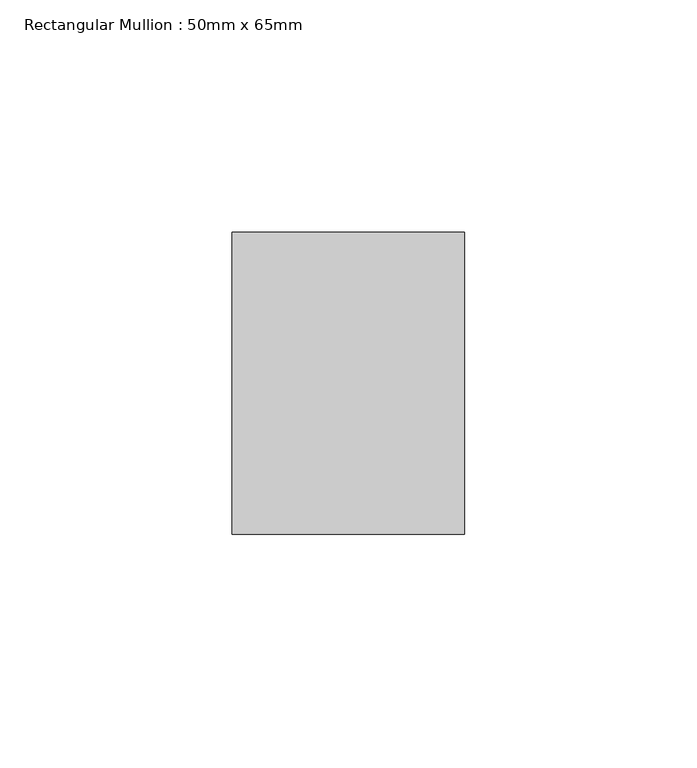
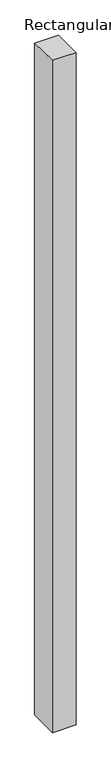
"""IFC4 building model written with IfcOpenShell, lengths in millimetres: member geometry, Rectangular Mullion : 50mm x 65mm."""

from ifc_helpers import new_model, si_unit, origin, place, context, project, spatial, faceted_brep, source, transform, mapped, element, save


def rectangular_mullion_50mm_x_65mm_3ddc6666(model_context):
    return source(origin(), model_context, "Body", "Brep", [
        faceted_brep([(-25.0, 32.5, -0.4073255), (25.0, 32.5, -0.4073265), (25.0, 32.5, -1499.6940499), (-25.0, 32.5, -1499.6940507), (-25.0, -32.5, 0.4073265), (-25.0, -32.5, -1500.305498), (25.0, -32.5, 0.4073255), (25.0, -32.5, -1500.3054973)], [[[0, 1, 2, 3]], [[4, 0, 3, 5]], [[6, 4, 5, 7]], [[1, 6, 7, 2]], [[1, 0, 4, 6]], [[2, 7, 5, 3]]]),
    ])


if __name__ == "__main__":
    model = new_model("IFC4")
    model_context = context("Model", 3, world=origin())
    ifc_project = project(units=[si_unit("LENGTHUNIT", "METRE", prefix="MILLI")], contexts=[model_context])
    site = spatial("IfcSite", under=ifc_project)
    building = spatial("IfcBuilding", under=site)
    placement = place(None, origin())
    rectangular_mullion_50mm_x_65mm_shape = rectangular_mullion_50mm_x_65mm_3ddc6666(model_context)
    element("IfcMember", 1, ObjectType="Rectangular Mullion : 50mm x 65mm", at=placement, inside=building, context=model_context, shape_type="MappedRepresentation", body=[
        mapped(rectangular_mullion_50mm_x_65mm_shape, transform((0.0, 0.0, 0.0), x_axis=(1.0, 0.0, 0.0), y_axis=(0.0, 1.0, 0.0), z_axis=(0.0, 0.0, 1.0))),
    ])
    save(model, "model.ifc")
